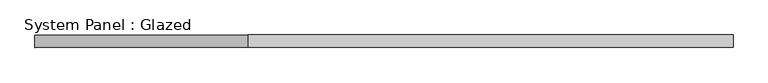
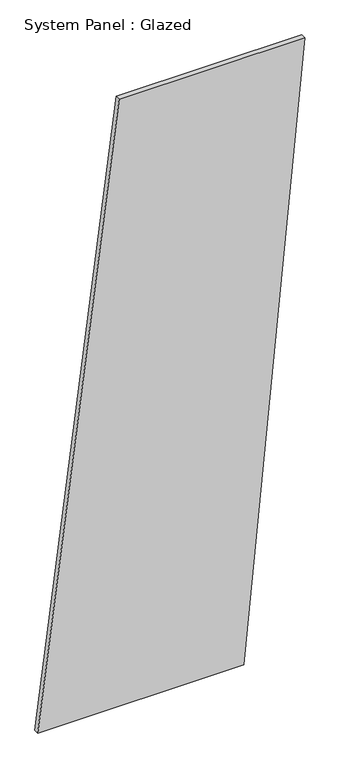
"""IFC4 building model written with IfcOpenShell, lengths in millimetres: plate geometry, System Panel : Glazed."""

from ifc_helpers import new_model, si_unit, frame, origin, place, context, project, spatial, polyline, outline, extrude, source, transform, mapped, element, save


def system_panel_glazed_ecd9a4df(model_context):
    return source(origin(), model_context, "Body", "SweptSolid", [
        extrude(outline(polyline([(0.0, -694.5305589), (0.0, 377.0652324), (3337.5895065, 694.5305589), (3337.5895065, -271.2434569), (0.0, -694.5305589)])), frame((0.0, -49.5, 0.0), z_axis=(0.0, 1.0, 0.0), x_axis=(0.0, 0.0, 1.0)), (0.0, 0.0, 1.0), 25.0),
    ])


if __name__ == "__main__":
    model = new_model("IFC4")
    model_context = context("Model", 3, world=origin())
    ifc_project = project(units=[si_unit("LENGTHUNIT", "METRE", prefix="MILLI")], contexts=[model_context])
    site = spatial("IfcSite", under=ifc_project)
    building = spatial("IfcBuilding", under=site)
    placement = place(None, origin())
    system_panel_glazed_shape = system_panel_glazed_ecd9a4df(model_context)
    element("IfcPlate", 1, ObjectType="System Panel : Glazed", at=placement, inside=building, context=model_context, shape_type="MappedRepresentation", body=[
        mapped(system_panel_glazed_shape, transform((0.0, 0.0, 0.0), x_axis=(1.0, 0.0, 0.0), y_axis=(0.0, 1.0, 0.0), z_axis=(0.0, 0.0, 1.0))),
    ])
    save(model, "model.ifc")
